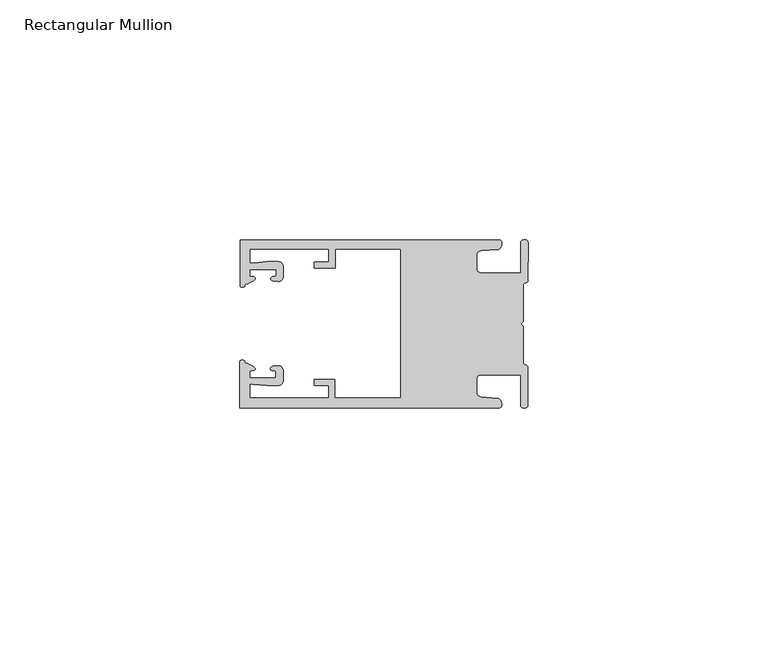
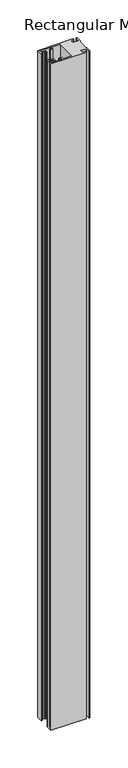
"""IFC4 building model written with IfcOpenShell, lengths in millimetres: member geometry, Rectangular Mullion."""

from ifc_helpers import new_model, si_unit, frame, origin, place, context, project, spatial, circle_curve, source, transform, mapped, element, save
from ifc_brep_helpers import plane_surface, cylinder_surface, extruded_surface, spline_curve, advanced_brep


def rectangular_mullion_9c591f3f(model_context):
    return source(origin(), model_context, "Body", "AdvancedBrep", [
        advanced_brep(
        [(-60.0749377, 17.5111528, 0.0), (-60.0749377, 8.0140787, 0.0), (-59.3252567, 7.7187455, 0.0), (-58.4967974, 8.36785, 0.0), (-58.0726619, 10.1173923, 0.0), (-58.0713101, 11.3673916, 0.0), (-52.5713133, 11.3614437, 0.0), (-52.5726651, 10.1114444, 0.0), (-53.1427626, 8.8955539, 0.0), (-52.0740172, 8.8609044, 0.0), (-51.0729364, 9.8598224, 0.0), (-51.0706653, 11.9598211, 0.0), (-52.0700692, 12.9609024, 0.0), (-54.3905105, 12.9622843, 0.0), (-57.1599646, 12.7230061, 0.0), (-58.0696339, 12.9173907, 0.0), (-58.066768, 15.5673891, 0.0), (-41.5667584, 15.5673891, 0.0), (-41.5695894, 12.9495468, 0.0), (-44.5695877, 12.9527912, 0.0), (-44.5709936, 11.6527919, 0.0), (-40.2709961, 11.6481417, 0.0), (-40.2667576, 15.5673891, 0.0), (-26.6002952, 15.5673891, 0.0), (-26.6002952, -15.4518424, 0.0), (-40.3003032, -15.4518424, 0.0), (-40.2960856, -11.5518447, 0.0), (-44.5960831, -11.5471945, 0.0), (-44.597489, -12.8471938, 0.0), (-41.5974907, -12.8504381, 0.0), (-41.6003025, -15.4504366, 0.0), (-58.1002928, -15.4325927, 0.0), (-58.097427, -12.7825943, 0.0), (-57.1873395, -12.5901776, 0.0), (-54.4184094, -12.8354453, 0.0), (-52.0979705, -12.8390822, 0.0), (-51.0964037, -11.8401649, 0.0), (-51.0941327, -9.7401662, 0.0), (-52.0930507, -8.7390853, 0.0), (-53.1618685, -8.7714231, 0.0), (-52.5944022, -9.9885439, 0.0), (-52.595754, -11.2385431, 0.0), (-58.0957508, -11.2325952, 0.0), (-58.094399, -9.9825959, 0.0), (-58.5147494, -8.2321403, 0.0), (-59.3418028, -7.5812455, 0.0), (-60.0921208, -7.8749565, 0.0), (-60.0921208, -17.4888267, 0.0), (-6.1024861, -17.4888267, 0.0), (-6.5218639, -15.488372, 0.0), (-9.8784944, -15.2205466, 0.0), (-10.7989567, -14.2226333, 0.0), (-10.7961029, -11.5837474, 0.0), (-9.8734844, -10.5878272, 0.0), (-1.5950266, -10.5934991, 0.0), (-1.601948, -16.9936935, 0.0), (-0.1017194, -16.7830581, 0.0), (-0.0933208, -9.0170082, 0.0), (-1.0923837, -8.1499018, 0.0), (-1.0842165, -0.5977972, 0.0), (-1.0829111, 0.6093089, 0.0), (-1.0747439, 8.1614135, 0.0), (-0.0738079, 9.026357, 0.0), (-0.0654093, 16.7924069, 0.0), (-1.5651789, 17.0062866, 0.0), (-1.5651789, 10.6183257, 0.0), (-9.8505511, 10.6183257, 0.0), (-10.7710133, 11.6162391, 0.0), (-10.7681595, 14.255125, 0.0), (-9.845541, 15.2510452, 0.0), (-6.4883391, 15.5116099, 0.0), (-6.0646356, 17.5111528, 0.0), (-60.0749377, 17.5111528, -1079.5), (-6.0646356, 17.5111528, -1079.5), (-6.4883391, 15.5116099, -1079.5), (-9.845541, 15.2510452, -1079.5), (-10.7681595, 14.255125, -1079.5), (-10.7710133, 11.6162391, -1079.5), (-9.8505511, 10.6183257, -1079.5), (-1.5651789, 10.6183257, -1079.5), (-1.5651789, 17.0062866, -1079.5), (-0.0654093, 16.7924069, -1079.5), (-0.0738079, 9.026357, -1079.5), (-1.0747439, 8.1614135, -1079.5), (-1.0829111, 0.6093089, -1079.5), (-1.0842165, -0.5977972, -1079.5), (-1.0923837, -8.1499018, -1079.5), (-0.0933208, -9.0170082, -1079.5), (-0.1017194, -16.7830581, -1079.5), (-1.601948, -16.9936935, -1079.5), (-1.5950266, -10.5934991, -1079.5), (-9.8734844, -10.5878272, -1079.5), (-10.7961029, -11.5837474, -1079.5), (-10.7989567, -14.2226333, -1079.5), (-9.8784944, -15.2205466, -1079.5), (-6.5218639, -15.488372, -1079.5), (-6.1024861, -17.4888267, -1079.5), (-60.0921208, -17.4888267, -1079.5), (-60.0921208, -7.8749565, -1079.5), (-59.3418028, -7.5812455, -1079.5), (-58.5147494, -8.2321403, -1079.5), (-58.094399, -9.9825959, -1079.5), (-58.0957508, -11.2325952, -1079.5), (-52.595754, -11.2385431, -1079.5), (-52.5944022, -9.9885439, -1079.5), (-53.1618685, -8.7714231, -1079.5), (-52.0930507, -8.7390853, -1079.5), (-51.0941327, -9.7401662, -1079.5), (-51.0964037, -11.8401649, -1079.5), (-52.0979705, -12.8390823, -1079.5), (-54.4184094, -12.8354453, -1079.5), (-57.1873395, -12.5901776, -1079.5), (-58.097427, -12.7825943, -1079.5), (-58.1002928, -15.4325927, -1079.5), (-41.6003025, -15.4504366, -1079.5), (-41.5974907, -12.8504381, -1079.5), (-44.597489, -12.8471938, -1079.5), (-44.5960831, -11.5471945, -1079.5), (-40.2960856, -11.5518447, -1079.5), (-40.3003032, -15.4518424, -1079.5), (-26.6002952, -15.4518424, -1079.5), (-26.6002952, 15.5673891, -1079.5), (-40.2667576, 15.5673891, -1079.5), (-40.2709961, 11.6481417, -1079.5), (-44.5709936, 11.6527919, -1079.5), (-44.5695877, 12.9527912, -1079.5), (-41.5695894, 12.9495468, -1079.5), (-41.5667584, 15.5673891, -1079.5), (-58.066768, 15.5673891, -1079.5), (-58.0696339, 12.9173907, -1079.5), (-57.1599646, 12.7230061, -1079.5), (-54.3905105, 12.9622843, -1079.5), (-52.0700692, 12.9609023, -1079.5), (-51.0706653, 11.9598211, -1079.5), (-51.0729364, 9.8598224, -1079.5), (-52.0740172, 8.8609044, -1079.5), (-53.1427626, 8.8955539, -1079.5), (-52.5726651, 10.1114444, -1079.5), (-52.5713133, 11.3614437, -1079.5), (-58.0713101, 11.3673916, -1079.5), (-58.0726619, 10.1173923, -1079.5), (-58.4967974, 8.36785, -1079.5), (-59.3252567, 7.7187455, -1079.5), (-60.0749377, 8.0140787, -1079.5)],
        [
            (0, 1),
            (1, 2, spline_curve(3, [(-60.0749377, 8.0140787, 0.0), (-60.075233123, 7.740904774, 0.0), (-59.825339491, 7.642460332, 0.0), (-59.3252567, 7.7187455, 0.0)], [4, 4], [0.0, 0.0019169337574178654])),
            (2, 3, spline_curve(3, [(-59.3252567, 7.7187455, 0.0), (-59.094460914, 7.75918372, 0.0), (-59.054835463, 7.902257199, 0.0), (-59.05559987, 8.233305614, 0.0), (-59.138729113, 8.4134359, 0.0), (-58.4967974, 8.36785, 0.0)], [4, 2, 4], [0.0, 0.0010199524164107188, 0.0024874514725970356])),
            (3, 4, spline_curve(3, [(-58.4967974, 8.36785, 0.0), (-57.022393378, 9.053435667, 0.0), (-56.827266887, 9.364828726, 0.0), (-56.982213078, 9.742623404, 0.0), (-57.177375211, 9.855581791, 0.0), (-57.697928101, 9.887955071, 0.0), (-57.997449153, 9.835475348, 0.0), (-58.0726619, 10.1173923, 0.0)], [4, 2, 2, 4], [0.0, 0.003269869179570428, 0.005490050486237203, 0.0073545767114364426])),
            (4, 5),
            (5, 6),
            (6, 7),
            (7, 8, spline_curve(3, [(-52.5726651, 10.1114444, 0.0), (-52.667195519, 9.760172042, 0.0), (-52.937094388, 9.861877724, 0.0), (-53.356237032, 9.895631753, 0.0), (-53.491940439, 9.811038713, 0.0), (-53.761900775, 9.511438033, 0.0), (-53.892893546, 9.278787104, 0.0), (-53.1427626, 8.8955539, 0.0)], [4, 2, 2, 4], [0.0, 0.001593963049934732, 0.0033360256320283306, 0.005339140673503943])),
            (8, 9),
            (9, 10, circle_curve(frame((-52.0729358, 9.8609038, 0.0), z_axis=(0.0, 0.0, 1.0), x_axis=(-0.0010814451158600304, -0.9999994152380598, 0.0)), 1.0)),
            (10, 11),
            (11, 12, circle_curve(frame((-52.0706647, 11.9609026, 0.0), z_axis=(0.0, 0.0, 1.0), x_axis=(-0.0010814451158600304, -0.9999994152380598, 0.0)), 1.0)),
            (12, 13),
            (13, 14),
            (14, 15, spline_curve(3, [(-57.1599646, 12.7230061, 0.0), (-57.631533854, 12.682262968, 0.0), (-58.018602985, 12.477800124, 0.0), (-58.0696339, 12.9173907, 0.0)], [4, 4], [0.0, 0.0014803385355886016])),
            (15, 16),
            (16, 17),
            (17, 18),
            (18, 19),
            (19, 20),
            (20, 21),
            (21, 22),
            (22, 23),
            (23, 24),
            (24, 25),
            (25, 26),
            (26, 27),
            (27, 28),
            (28, 29),
            (29, 30),
            (30, 31),
            (31, 32),
            (32, 33, spline_curve(3, [(-58.097427, -12.7825943, 0.0), (-58.045445419, -12.343115126, 0.0), (-57.658819528, -12.548414611, 0.0), (-57.1873395, -12.5901776, 0.0)], [4, 4], [0.0, 0.0014803385355886016])),
            (33, 34),
            (34, 35),
            (35, 36, circle_curve(frame((-52.0964031, -11.8390835, 0.0), z_axis=(0.0, 0.0, 1.0), x_axis=(0.0010814451158600304, 0.9999994152380598, 0.0)), 1.0)),
            (36, 37),
            (37, 38, circle_curve(frame((-52.0941321, -9.7390847, 0.0), z_axis=(0.0, 0.0, 1.0), x_axis=(0.0010814451158600304, 0.9999994152380598, 0.0)), 1.0)),
            (38, 39),
            (39, 40, spline_curve(3, [(-53.1618685, -8.7714231, 0.0), (-53.912826582, -9.153032958, 0.0), (-53.782337352, -9.385966711, 0.0), (-53.51302565, -9.686150585, 0.0), (-53.377505444, -9.771037009, 0.0), (-52.958290774, -9.738189618, 0.0), (-52.688172635, -9.637067904, 0.0), (-52.5944022, -9.9885439, 0.0)], [4, 2, 2, 4], [0.0, 0.002003115041475612, 0.0037451776235692107, 0.005339140673503943])),
            (40, 41),
            (41, 42),
            (42, 43),
            (43, 44, spline_curve(3, [(-58.094399, -9.9825959, 0.0), (-58.018576674, -9.700842284, 0.0), (-57.719169706, -9.753969703, 0.0), (-57.198548014, -9.722722397, 0.0), (-57.003142178, -9.61018632, 0.0), (-56.847379222, -9.232727657, 0.0), (-57.041831673, -8.920913336, 0.0), (-58.5147494, -8.2321403, 0.0)], [4, 2, 2, 4], [0.0, 0.0018645262251992395, 0.004084707531866015, 0.0073545767114364426])),
            (44, 45, spline_curve(3, [(-58.5147494, -8.2321403, 0.0), (-59.156778208, -8.276337666, 0.0), (-59.073259494, -8.096387681, 0.0), (-59.071779067, -7.765341694, 0.0), (-59.111095017, -7.622182811, 0.0), (-59.3418028, -7.5812455, 0.0)], [4, 2, 4], [0.0, 0.0014674990561863168, 0.0024874514725970356])),
            (45, 46, spline_curve(3, [(-59.3418028, -7.5812455, 0.0), (-59.841719425, -7.503878887, 0.0), (-60.091825377, -7.601782574, 0.0), (-60.0921208, -7.8749565, 0.0)], [4, 4], [0.0, 0.0019169337574178654])),
            (46, 47),
            (47, 48),
            (48, 49, spline_curve(3, [(-6.1024861, -17.4888267, 0.0), (-5.074532184, -17.418062188, 0.0), (-5.631140689, -15.411414367, 0.0), (-6.5218639, -15.488372, 0.0)], [4, 4], [0.0, 0.0043819361547461745])),
            (49, 50),
            (50, 51, spline_curve(3, [(-9.8784944, -15.2205466, 0.0), (-10.440691543, -15.150698463, 0.0), (-10.74751234, -14.818060727, 0.0), (-10.7989567, -14.2226333, 0.0)], [4, 4], [0.0, 0.0028645797420738927])),
            (51, 52),
            (52, 53, spline_curve(3, [(-10.7961029, -11.5837474, 0.0), (-10.743370817, -10.988432634, 0.0), (-10.435831301, -10.656459204, 0.0), (-9.8734844, -10.5878272, 0.0)], [4, 4], [0.0, 0.0028645797420738927])),
            (53, 54),
            (54, 55),
            (55, 56, spline_curve(3, [(-1.601948, -16.9936935, 0.0), (-1.655676874, -17.600261454, 0.0), (-0.043737403, -17.912795581, 0.0), (-0.1017194, -16.7830581, 0.0)], [4, 4], [0.0, 0.0036987374396357936])),
            (56, 57),
            (57, 58, spline_curve(3, [(-0.0933208, -9.0170082, 0.0), (-0.018818183, -8.695886697, 0.0), (-1.193434327, -8.459763043, 0.0), (-1.0923837, -8.1499018, 0.0)], [4, 4], [0.0, 0.002027216749630121])),
            (58, 59),
            (59, 60, spline_curve(3, [(-1.0842165, -0.5977972, 0.0), (-1.013223198, -0.445980437, 0.0), (-1.487945123, -0.206736825, 0.0), (-1.487409651, 0.231097965, 0.0), (-0.999110985, 0.429090391, 0.0), (-1.0829111, 0.6093089, 0.0)], [4, 2, 4], [0.0, 0.00249866671847065, 0.005031402919736269])),
            (60, 61),
            (61, 62, spline_curve(3, [(-1.0747439, 8.1614135, 0.0), (-1.175124095, 8.47149258, 0.0), (-7e-09, 8.705075107, 0.0), (-0.0738079, 9.026357, 0.0)], [4, 4], [0.0, 0.002027216749630121])),
            (62, 63),
            (63, 64, spline_curve(3, [(-0.0654093, 16.7924069, 0.0), (-0.004983942, 17.92201633, 0.0), (-1.617595709, 17.612969344, 0.0), (-1.5651789, 17.0062866, 0.0)], [4, 4], [0.0, 0.0036987374396357936])),
            (64, 65),
            (65, 66),
            (66, 67, spline_curve(3, [(-9.8505511, 10.6183257, 0.0), (-10.412748243, 10.688173837, 0.0), (-10.71956894, 11.020811673, 0.0), (-10.7710133, 11.6162391, 0.0)], [4, 4], [0.0, 0.0028645797420738927])),
            (67, 68),
            (68, 69, spline_curve(3, [(-10.7681595, 14.255125, 0.0), (-10.715427417, 14.850439766, 0.0), (-10.407887901, 15.182413196, 0.0), (-9.845541, 15.2510452, 0.0)], [4, 4], [0.0, 0.0028645797420738927])),
            (69, 70),
            (70, 71, spline_curve(3, [(-6.4883391, 15.5116099, 0.0), (-5.597784423, 15.432725911, 0.0), (-5.036837144, 17.438165103, 0.0), (-6.0646356, 17.5111528, 0.0)], [4, 4], [0.0, 0.0043819361547461745])),
            (71, 0),
            (72, 73),
            (73, 74, spline_curve(3, [(-6.0646356, 17.5111528, -1079.5), (-5.036837144, 17.438165103, -1079.5), (-5.597784423, 15.432725911, -1079.5), (-6.4883391, 15.5116099, -1079.5)], [4, 4], [0.0, 0.0043819361547461745])),
            (74, 75),
            (75, 76, spline_curve(3, [(-9.845541, 15.2510452, -1079.5), (-10.407887901, 15.182413196, -1079.5), (-10.715427417, 14.850439766, -1079.5), (-10.7681595, 14.255125, -1079.5)], [4, 4], [0.0, 0.0028645797420738927])),
            (76, 77),
            (77, 78, spline_curve(3, [(-10.7710133, 11.6162391, -1079.5), (-10.71956894, 11.020811673, -1079.5), (-10.412748243, 10.688173837, -1079.5), (-9.8505511, 10.6183257, -1079.5)], [4, 4], [0.0, 0.0028645797420738927])),
            (78, 79),
            (79, 80),
            (80, 81, spline_curve(3, [(-1.5651789, 17.0062866, -1079.5), (-1.617595709, 17.612969344, -1079.5), (-0.004983942, 17.92201633, -1079.5), (-0.0654093, 16.7924069, -1079.5)], [4, 4], [0.0, 0.0036987374396357936])),
            (81, 82),
            (82, 83, spline_curve(3, [(-0.0738079, 9.026357, -1079.5), (-7e-09, 8.705075107, -1079.5), (-1.175124095, 8.47149258, -1079.5), (-1.0747439, 8.1614135, -1079.5)], [4, 4], [0.0, 0.002027216749630121])),
            (83, 84),
            (84, 85, spline_curve(3, [(-1.0829111, 0.6093089, -1079.5), (-0.999110985, 0.429090391, -1079.5), (-1.487409651, 0.231097965, -1079.5), (-1.487945123, -0.206736825, -1079.5), (-1.013223198, -0.445980437, -1079.5), (-1.0842165, -0.5977972, -1079.5)], [4, 2, 4], [0.0, 0.002532736201265619, 0.005031402919736269])),
            (85, 86),
            (86, 87, spline_curve(3, [(-1.0923837, -8.1499018, -1079.5), (-1.193434327, -8.459763043, -1079.5), (-0.018818183, -8.695886697, -1079.5), (-0.0933208, -9.0170082, -1079.5)], [4, 4], [0.0, 0.002027216749630121])),
            (87, 88),
            (88, 89, spline_curve(3, [(-0.1017194, -16.7830581, -1079.5), (-0.043737403, -17.912795581, -1079.5), (-1.655676874, -17.600261454, -1079.5), (-1.601948, -16.9936935, -1079.5)], [4, 4], [0.0, 0.0036987374396357936])),
            (89, 90),
            (90, 91),
            (91, 92, spline_curve(3, [(-9.8734844, -10.5878272, -1079.5), (-10.435831301, -10.656459204, -1079.5), (-10.743370817, -10.988432634, -1079.5), (-10.7961029, -11.5837474, -1079.5)], [4, 4], [0.0, 0.0028645797420738927])),
            (92, 93),
            (93, 94, spline_curve(3, [(-10.7989567, -14.2226333, -1079.5), (-10.74751234, -14.818060727, -1079.5), (-10.440691543, -15.150698463, -1079.5), (-9.8784944, -15.2205466, -1079.5)], [4, 4], [0.0, 0.0028645797420738927])),
            (94, 95),
            (95, 96, spline_curve(3, [(-6.5218639, -15.488372, -1079.5), (-5.631140689, -15.411414367, -1079.5), (-5.074532184, -17.418062188, -1079.5), (-6.1024861, -17.4888267, -1079.5)], [4, 4], [0.0, 0.0043819361547461745])),
            (96, 97),
            (97, 98),
            (98, 99, spline_curve(3, [(-60.0921208, -7.8749565, -1079.5), (-60.091825377, -7.601782574, -1079.5), (-59.841719425, -7.503878887, -1079.5), (-59.3418028, -7.5812455, -1079.5)], [4, 4], [0.0, 0.0019169337574178654])),
            (99, 100, spline_curve(3, [(-59.3418028, -7.5812455, -1079.5), (-59.111095017, -7.622182811, -1079.5), (-59.071779067, -7.765341694, -1079.5), (-59.073259494, -8.096387681, -1079.5), (-59.156778208, -8.276337666, -1079.5), (-58.5147494, -8.2321403, -1079.5)], [4, 2, 4], [0.0, 0.0010199524164107188, 0.0024874514725970356])),
            (100, 101, spline_curve(3, [(-58.5147494, -8.2321403, -1079.5), (-57.041831673, -8.920913336, -1079.5), (-56.847379222, -9.232727657, -1079.5), (-57.003142178, -9.61018632, -1079.5), (-57.198548014, -9.722722397, -1079.5), (-57.719169706, -9.753969703, -1079.5), (-58.018576674, -9.700842284, -1079.5), (-58.094399, -9.9825959, -1079.5)], [4, 2, 2, 4], [0.0, 0.003269869179570428, 0.005490050486237203, 0.0073545767114364426])),
            (101, 102),
            (102, 103),
            (103, 104),
            (104, 105, spline_curve(3, [(-52.5944022, -9.9885439, -1079.5), (-52.688172635, -9.637067904, -1079.5), (-52.958290774, -9.738189618, -1079.5), (-53.377505444, -9.771037009, -1079.5), (-53.51302565, -9.686150585, -1079.5), (-53.782337352, -9.385966711, -1079.5), (-53.912826582, -9.153032958, -1079.5), (-53.1618685, -8.7714231, -1079.5)], [4, 2, 2, 4], [0.0, 0.001593963049934732, 0.0033360256320283306, 0.005339140673503943])),
            (105, 106),
            (106, 107, circle_curve(frame((-52.0941321, -9.7390847, -1079.5), z_axis=(0.0, 0.0, -1.0), x_axis=(0.0010814451158600304, 0.9999994152380598, 0.0)), 1.0)),
            (107, 108),
            (108, 109, circle_curve(frame((-52.0964031, -11.8390835, -1079.5), z_axis=(0.0, 0.0, -1.0), x_axis=(0.0010814451158600304, 0.9999994152380598, 0.0)), 1.0)),
            (109, 110),
            (110, 111),
            (111, 112, spline_curve(3, [(-57.1873395, -12.5901776, -1079.5), (-57.658819528, -12.548414611, -1079.5), (-58.045445419, -12.343115126, -1079.5), (-58.097427, -12.7825943, -1079.5)], [4, 4], [0.0, 0.0014803385355886016])),
            (112, 113),
            (113, 114),
            (114, 115),
            (115, 116),
            (116, 117),
            (117, 118),
            (118, 119),
            (119, 120),
            (120, 121),
            (121, 122),
            (122, 123),
            (123, 124),
            (124, 125),
            (125, 126),
            (126, 127),
            (127, 128),
            (128, 129),
            (129, 130, spline_curve(3, [(-58.0696339, 12.9173907, -1079.5), (-58.018602985, 12.477800124, -1079.5), (-57.631533854, 12.682262968, -1079.5), (-57.1599646, 12.7230061, -1079.5)], [4, 4], [0.0, 0.0014803385355886016])),
            (130, 131),
            (131, 132),
            (132, 133, circle_curve(frame((-52.0706647, 11.9609026, -1079.5), z_axis=(0.0, 0.0, -1.0), x_axis=(-0.0010814451158600304, -0.9999994152380598, 0.0)), 1.0)),
            (133, 134),
            (134, 135, circle_curve(frame((-52.0729358, 9.8609038, -1079.5), z_axis=(0.0, 0.0, -1.0), x_axis=(-0.0010814451158600304, -0.9999994152380598, 0.0)), 1.0)),
            (135, 136),
            (136, 137, spline_curve(3, [(-53.1427626, 8.8955539, -1079.5), (-53.892893546, 9.278787104, -1079.5), (-53.761900775, 9.511438033, -1079.5), (-53.491940439, 9.811038713, -1079.5), (-53.356237032, 9.895631753, -1079.5), (-52.937094388, 9.861877724, -1079.5), (-52.667195519, 9.760172042, -1079.5), (-52.5726651, 10.1114444, -1079.5)], [4, 2, 2, 4], [0.0, 0.002003115041475612, 0.0037451776235692107, 0.005339140673503943])),
            (137, 138),
            (138, 139),
            (139, 140),
            (140, 141, spline_curve(3, [(-58.0726619, 10.1173923, -1079.5), (-57.997449153, 9.835475348, -1079.5), (-57.697928101, 9.887955071, -1079.5), (-57.177375211, 9.855581791, -1079.5), (-56.982213078, 9.742623404, -1079.5), (-56.827266887, 9.364828726, -1079.5), (-57.022393378, 9.053435667, -1079.5), (-58.4967974, 8.36785, -1079.5)], [4, 2, 2, 4], [0.0, 0.0018645262251992395, 0.004084707531866015, 0.0073545767114364426])),
            (141, 142, spline_curve(3, [(-58.4967974, 8.36785, -1079.5), (-59.138729113, 8.4134359, -1079.5), (-59.05559987, 8.233305614, -1079.5), (-59.054835463, 7.902257199, -1079.5), (-59.094460914, 7.75918372, -1079.5), (-59.3252567, 7.7187455, -1079.5)], [4, 2, 4], [0.0, 0.0014674990561863168, 0.0024874514725970356])),
            (142, 143, spline_curve(3, [(-59.3252567, 7.7187455, -1079.5), (-59.825339491, 7.642460332, -1079.5), (-60.075233123, 7.740904774, -1079.5), (-60.0749377, 8.0140787, -1079.5)], [4, 4], [0.0, 0.0019169337574178654])),
            (143, 72),
            (0, 72),
            (143, 1),
            (142, 2),
            (141, 3),
            (140, 4),
            (139, 5),
            (138, 6),
            (137, 7),
            (136, 8),
            (135, 9),
            (134, 10),
            (133, 11),
            (132, 12),
            (131, 13),
            (130, 14),
            (129, 15),
            (128, 16),
            (127, 17),
            (126, 18),
            (125, 19),
            (124, 20),
            (123, 21),
            (122, 22),
            (121, 23),
            (120, 24),
            (119, 25),
            (118, 26),
            (117, 27),
            (116, 28),
            (115, 29),
            (114, 30),
            (113, 31),
            (112, 32),
            (111, 33),
            (110, 34),
            (109, 35),
            (108, 36),
            (107, 37),
            (106, 38),
            (105, 39),
            (104, 40),
            (103, 41),
            (102, 42),
            (101, 43),
            (100, 44),
            (99, 45),
            (98, 46),
            (97, 47),
            (96, 48),
            (95, 49),
            (94, 50),
            (93, 51),
            (92, 52),
            (91, 53),
            (90, 54),
            (89, 55),
            (88, 56),
            (87, 57),
            (86, 58),
            (85, 59),
            (84, 60),
            (83, 61),
            (82, 62),
            (81, 63),
            (80, 64),
            (79, 65),
            (78, 66),
            (77, 67),
            (76, 68),
            (75, 69),
            (74, 70),
            (73, 71),
        ],
        [
            plane_surface(frame((0.0, -62.5853181, 0.0), z_axis=(0.0, 0.0, 1.0), x_axis=(-1.0, 0.0, 0.0))),
            plane_surface(frame((0.0, -62.5853181, -1079.5), z_axis=(0.0, 0.0, -1.0), x_axis=(-1.0, 0.0, 0.0))),
            plane_surface(frame((-60.0749377, 17.5111528, 0.0), z_axis=(-1.0, 0.0, 0.0), x_axis=(0.0, 0.0, -1.0))),
            extruded_surface(spline_curve(3, [(-60.0749377, 8.0140787, -1079.5), (-60.075233123, 7.740904774, -1079.5), (-59.825339491, 7.642460332, -1079.5), (-59.3252567, 7.7187455, -1079.5)], [4, 4], [0.0, 0.0019169337574178654]), (0.0, 0.0, 1079.5), 1079.5),
            extruded_surface(spline_curve(3, [(-59.3252567, 7.7187455, -1079.5), (-59.094460914, 7.75918372, -1079.5), (-59.054835463, 7.902257199, -1079.5), (-59.05559987, 8.233305614, -1079.5), (-59.138729113, 8.4134359, -1079.5), (-58.4967974, 8.36785, -1079.5)], [4, 2, 4], [0.0, 0.0010199524164107188, 0.0024874514725970356]), (0.0, 0.0, 1079.5), 1079.5),
            extruded_surface(spline_curve(3, [(-58.4967974, 8.36785, -1079.5), (-57.022393378, 9.053435667, -1079.5), (-56.827266887, 9.364828726, -1079.5), (-56.982213078, 9.742623404, -1079.5), (-57.177375211, 9.855581791, -1079.5), (-57.697928101, 9.887955071, -1079.5), (-57.997449153, 9.835475348, -1079.5), (-58.0726619, 10.1173923, -1079.5)], [4, 2, 2, 4], [0.0, 0.003269869179570428, 0.005490050486237203, 0.0073545767114364426]), (0.0, 0.0, 1079.5), 1079.5),
            plane_surface(frame((-58.0726619, 10.1173923, 0.0), z_axis=(0.9999994152380598, -0.0010814451158634145, 0.0), x_axis=(0.0, 0.0, -1.0))),
            plane_surface(frame((-58.0713101, 11.3673916, 0.0), z_axis=(-0.0010814451158616418, -0.9999994152380598, 0.0), x_axis=(0.0, 0.0, -1.0))),
            plane_surface(frame((-52.5713133, 11.3614437, 0.0), z_axis=(-0.9999994152380598, 0.0010814451158643293, 0.0), x_axis=(0.0, 0.0, -1.0))),
            extruded_surface(spline_curve(3, [(-52.5726651, 10.1114444, -1079.5), (-52.667195519, 9.760172042, -1079.5), (-52.937094388, 9.861877724, -1079.5), (-53.356237032, 9.895631753, -1079.5), (-53.491940439, 9.811038713, -1079.5), (-53.761900775, 9.511438033, -1079.5), (-53.892893546, 9.278787104, -1079.5), (-53.1427626, 8.8955539, -1079.5)], [4, 2, 2, 4], [0.0, 0.001593963049934732, 0.0033360256320283306, 0.005339140673503943]), (0.0, 0.0, 1079.5), 1079.5),
            plane_surface(frame((-53.1427626, 8.8955539, 0.0), z_axis=(-0.032403661401520414, -0.9994748634797054, 0.0), x_axis=(0.0, 0.0, -1.0))),
            cylinder_surface(frame((-52.0729358, 9.8609038, 0.0), z_axis=(0.0, 0.0, 1.0000000000000002), x_axis=(-0.0010814451158600304, -0.9999994152380598, 0.0)), 1.0),
            plane_surface(frame((-51.0729364, 9.8598224, 0.0), z_axis=(0.9999994152380598, -0.001081445115864059, 0.0), x_axis=(0.0, 0.0, -1.0))),
            cylinder_surface(frame((-52.0706647, 11.9609026, 0.0), z_axis=(0.0, 0.0, 1.0000000000000002), x_axis=(-0.0010814451158600304, -0.9999994152380598, 0.0)), 1.0),
            plane_surface(frame((-52.0700692, 12.9609023, 0.0), z_axis=(0.0005955716436318007, 0.999999822647193, 0.0), x_axis=(0.0, 0.0, -1.0))),
            plane_surface(frame((-54.3905105, 12.9622843, 0.0), z_axis=(-0.08607836189159865, 0.9962883697073147, 0.0), x_axis=(0.0, 0.0, -1.0))),
            extruded_surface(spline_curve(3, [(-57.1599646, 12.7230061, -1079.5), (-57.631533854, 12.682262968, -1079.5), (-58.018602985, 12.477800124, -1079.5), (-58.0696339, 12.9173907, -1079.5)], [4, 4], [0.0, 0.0014803385355886016]), (0.0, 0.0, 1079.5), 1079.5),
            plane_surface(frame((-58.0696339, 12.9173907, 0.0), z_axis=(0.9999994152380598, -0.0010814451158629996, 0.0), x_axis=(0.0, 0.0, -1.0))),
            plane_surface(frame((-58.066768, 15.5673891, 0.0), z_axis=(0.0, -1.0, 0.0), x_axis=(0.0, 0.0, -1.0))),
            plane_surface(frame((-41.5667584, 15.5673891, 0.0), z_axis=(-0.9999994152380598, 0.0010814451158636304, 0.0), x_axis=(0.0, 0.0, -1.0))),
            plane_surface(frame((-41.5695894, 12.9495468, 0.0), z_axis=(0.0010814451158615687, 0.9999994152380598, 0.0), x_axis=(0.0, 0.0, -1.0))),
            plane_surface(frame((-44.5695877, 12.9527912, 0.0), z_axis=(-0.9999994152380598, 0.0010814451158626742, 0.0), x_axis=(0.0, 0.0, -1.0))),
            plane_surface(frame((-44.5709936, 11.6527919, 0.0), z_axis=(-0.001081445115861604, -0.9999994152380598, 0.0), x_axis=(0.0, 0.0, -1.0))),
            plane_surface(frame((-40.2709961, 11.6481417, 0.0), z_axis=(0.9999994152380598, -0.001081445115863507, 0.0), x_axis=(0.0, 0.0, -1.0))),
            plane_surface(frame((-40.2667576, 15.5673891, 0.0), z_axis=(0.0, -1.0, 0.0), x_axis=(0.0, 0.0, -1.0))),
            plane_surface(frame((-26.6002952, 15.5673891, 0.0), z_axis=(-1.0, 0.0, 0.0), x_axis=(0.0, 0.0, -1.0))),
            plane_surface(frame((-26.6002952, -15.4518424, 0.0), z_axis=(0.0, 1.0, 0.0), x_axis=(0.0, 0.0, -1.0))),
            plane_surface(frame((-40.3003032, -15.4518424, 0.0), z_axis=(0.9999994152380598, -0.0010814451158565538, 0.0), x_axis=(0.0, 0.0, -1.0))),
            plane_surface(frame((-40.2960856, -11.5518447, 0.0), z_axis=(0.0010814451158584568, 0.9999994152380598, 0.0), x_axis=(0.0, 0.0, -1.0))),
            plane_surface(frame((-44.5960831, -11.5471945, 0.0), z_axis=(-0.9999994152380598, 0.0010814451158573867, 0.0), x_axis=(0.0, 0.0, -1.0))),
            plane_surface(frame((-44.597489, -12.8471938, 0.0), z_axis=(-0.0010814451158584922, -0.9999994152380598, 0.0), x_axis=(0.0, 0.0, -1.0))),
            plane_surface(frame((-41.5974907, -12.8504381, 0.0), z_axis=(-0.9999994152380598, 0.0010814451158564305, 0.0), x_axis=(0.0, 0.0, -1.0))),
            plane_surface(frame((-41.6003025, -15.4504366, 0.0), z_axis=(0.0010814451158583872, 0.9999994152380598, 0.0), x_axis=(0.0, 0.0, -1.0))),
            plane_surface(frame((-58.1002928, -15.4325927, 0.0), z_axis=(0.9999994152380598, -0.0010814451158570612, 0.0), x_axis=(0.0, 0.0, -1.0))),
            extruded_surface(spline_curve(3, [(-58.097427, -12.7825943, -1079.5), (-58.045445419, -12.343115126, -1079.5), (-57.658819528, -12.548414611, -1079.5), (-57.1873395, -12.5901776, -1079.5)], [4, 4], [0.0, 0.0014803385355886016]), (0.0, 0.0, 1079.5), 1079.5),
            plane_surface(frame((-57.1873395, -12.5901776, 0.0), z_axis=(-0.0882330216729926, -0.9960998614026876, 0.0), x_axis=(0.0, 0.0, -1.0))),
            plane_surface(frame((-54.4184094, -12.8354453, 0.0), z_axis=(-0.0015673183327880543, -0.9999987717558677, 0.0), x_axis=(0.0, 0.0, -1.0))),
            cylinder_surface(frame((-52.0964031, -11.8390835, 0.0), z_axis=(0.0, 0.0, 1.0000000000000002), x_axis=(0.0010814451158600304, 0.9999994152380598, 0.0)), 1.0),
            plane_surface(frame((-51.0964037, -11.8401649, 0.0), z_axis=(0.9999994152380598, -0.001081445115856002, 0.0), x_axis=(0.0, 0.0, -1.0))),
            cylinder_surface(frame((-52.0941321, -9.7390847, 0.0), z_axis=(0.0, 0.0, 1.0000000000000002), x_axis=(0.0010814451158600304, 0.9999994152380598, 0.0)), 1.0),
            plane_surface(frame((-52.0930507, -8.7390853, 0.0), z_axis=(-0.030241832452872642, 0.9995426111826812, 0.0), x_axis=(0.0, 0.0, -1.0))),
            extruded_surface(spline_curve(3, [(-53.1618685, -8.7714231, -1079.5), (-53.912826582, -9.153032958, -1079.5), (-53.782337352, -9.385966711, -1079.5), (-53.51302565, -9.686150585, -1079.5), (-53.377505444, -9.771037009, -1079.5), (-52.958290774, -9.738189618, -1079.5), (-52.688172635, -9.637067904, -1079.5), (-52.5944022, -9.9885439, -1079.5)], [4, 2, 2, 4], [0.0, 0.002003115041475612, 0.0037451776235692107, 0.005339140673503943]), (0.0, 0.0, 1079.5), 1079.5),
            plane_surface(frame((-52.5944022, -9.9885439, 0.0), z_axis=(-0.9999994152380598, 0.0010814451158557316, 0.0), x_axis=(0.0, 0.0, -1.0))),
            plane_surface(frame((-52.595754, -11.2385431, 0.0), z_axis=(0.001081445115858419, 0.9999994152380598, 0.0), x_axis=(0.0, 0.0, -1.0))),
            plane_surface(frame((-58.0957508, -11.2325952, 0.0), z_axis=(0.9999994152380598, -0.0010814451158566464, 0.0), x_axis=(0.0, 0.0, -1.0))),
            extruded_surface(spline_curve(3, [(-58.094399, -9.9825959, -1079.5), (-58.018576674, -9.700842284, -1079.5), (-57.719169706, -9.753969703, -1079.5), (-57.198548014, -9.722722397, -1079.5), (-57.003142178, -9.61018632, -1079.5), (-56.847379222, -9.232727657, -1079.5), (-57.041831673, -8.920913336, -1079.5), (-58.5147494, -8.2321403, -1079.5)], [4, 2, 2, 4], [0.0, 0.0018645262251992395, 0.004084707531866015, 0.0073545767114364426]), (0.0, 0.0, 1079.5), 1079.5),
            extruded_surface(spline_curve(3, [(-58.5147494, -8.2321403, -1079.5), (-59.156778208, -8.276337666, -1079.5), (-59.073259494, -8.096387681, -1079.5), (-59.071779067, -7.765341694, -1079.5), (-59.111095017, -7.622182811, -1079.5), (-59.3418028, -7.5812455, -1079.5)], [4, 2, 4], [0.0, 0.0014674990561863168, 0.0024874514725970356]), (0.0, 0.0, 1079.5), 1079.5),
            extruded_surface(spline_curve(3, [(-59.3418028, -7.5812455, -1079.5), (-59.841719425, -7.503878887, -1079.5), (-60.091825377, -7.601782574, -1079.5), (-60.0921208, -7.8749565, -1079.5)], [4, 4], [0.0, 0.0019169337574178654]), (0.0, 0.0, 1079.5), 1079.5),
            plane_surface(frame((-60.0921208, -7.8749565, 0.0), z_axis=(-1.0, 0.0, 0.0), x_axis=(0.0, 0.0, -1.0))),
            plane_surface(frame((-60.0921208, -17.4888267, 0.0), z_axis=(0.0, -1.0, 0.0), x_axis=(0.0, 0.0, -1.0))),
            extruded_surface(spline_curve(3, [(-6.1024861, -17.4888267, -1079.5), (-5.074532184, -17.418062188, -1079.5), (-5.631140689, -15.411414367, -1079.5), (-6.5218639, -15.488372, -1079.5)], [4, 4], [0.0, 0.0043819361547461745]), (0.0, 0.0, 1079.5), 1079.5),
            plane_surface(frame((-6.5218639, -15.488372, 0.0), z_axis=(0.07953716124904908, 0.9968319015663789, 0.0), x_axis=(0.0, 0.0, -1.0))),
            extruded_surface(spline_curve(3, [(-9.8784944, -15.2205466, -1079.5), (-10.440691543, -15.150698463, -1079.5), (-10.74751234, -14.818060727, -1079.5), (-10.7989567, -14.2226333, -1079.5)], [4, 4], [0.0, 0.0028645797420738927]), (0.0, 0.0, 1079.5), 1079.5),
            plane_surface(frame((-10.7989567, -14.2226333, 0.0), z_axis=(0.9999994152380598, -0.0010814451158568247, 0.0), x_axis=(0.0, 0.0, -1.0))),
            extruded_surface(spline_curve(3, [(-10.7961029, -11.5837474, -1079.5), (-10.743370817, -10.988432634, -1079.5), (-10.435831301, -10.656459204, -1079.5), (-9.8734844, -10.5878272, -1079.5)], [4, 4], [0.0, 0.0028645797420738927]), (0.0, 0.0, 1079.5), 1079.5),
            plane_surface(frame((-9.8734844, -10.5878272, 0.0), z_axis=(-0.0006851371995361226, -0.9999997652934814, 0.0), x_axis=(0.0, 0.0, -1.0))),
            plane_surface(frame((-1.5950266, -10.5934991, 0.0), z_axis=(-0.9999994152380598, 0.0010814451158568644, 0.0), x_axis=(0.0, 0.0, -1.0))),
            extruded_surface(spline_curve(3, [(-1.601948, -16.9936935, -1079.5), (-1.655676874, -17.600261454, -1079.5), (-0.043737403, -17.912795581, -1079.5), (-0.1017194, -16.7830581, -1079.5)], [4, 4], [0.0, 0.0036987374396357936]), (0.0, 0.0, 1079.5), 1079.5),
            plane_surface(frame((-0.1017194, -16.7830581, 0.0), z_axis=(0.9999994152380598, -0.001081445115856699, 0.0), x_axis=(0.0, 0.0, -1.0))),
            extruded_surface(spline_curve(3, [(-0.0933208, -9.0170082, -1079.5), (-0.018818183, -8.695886697, -1079.5), (-1.193434327, -8.459763043, -1079.5), (-1.0923837, -8.1499018, -1079.5)], [4, 4], [0.0, 0.002027216749630121]), (0.0, 0.0, 1079.5), 1079.5),
            plane_surface(frame((-1.0923837, -8.1499018, 0.0), z_axis=(0.9999994152380598, -0.0010814451158566698, 0.0), x_axis=(0.0, 0.0, -1.0))),
            extruded_surface(spline_curve(3, [(-1.0842165, -0.5977972, -1079.5), (-1.013223198, -0.445980437, -1079.5), (-1.487945123, -0.206736825, -1079.5), (-1.487409651, 0.231097965, -1079.5), (-0.999110985, 0.429090391, -1079.5), (-1.0829111, 0.6093089, -1079.5)], [4, 2, 4], [0.0, 0.00249866671847065, 0.005031402919736269]), (0.0, 0.0, 1079.5), 1079.5),
            plane_surface(frame((-1.0829111, 0.6093089, 0.0), z_axis=(0.9999994152380598, -0.001081445115863391, 0.0), x_axis=(0.0, 0.0, -1.0))),
            extruded_surface(spline_curve(3, [(-1.0747439, 8.1614135, -1079.5), (-1.175124095, 8.47149258, -1079.5), (-7e-09, 8.705075107, -1079.5), (-0.0738079, 9.026357, -1079.5)], [4, 4], [0.0, 0.002027216749630121]), (0.0, 0.0, 1079.5), 1079.5),
            plane_surface(frame((-0.0738079, 9.026357, 0.0), z_axis=(0.9999994152380598, -0.001081445115863362, 0.0), x_axis=(0.0, 0.0, -1.0))),
            extruded_surface(spline_curve(3, [(-0.0654093, 16.7924069, -1079.5), (-0.004983942, 17.92201633, -1079.5), (-1.617595709, 17.612969344, -1079.5), (-1.5651789, 17.0062866, -1079.5)], [4, 4], [0.0, 0.0036987374396357936]), (0.0, 0.0, 1079.5), 1079.5),
            plane_surface(frame((-1.5651789, 17.0062866, 0.0), z_axis=(-1.0, 0.0, 0.0), x_axis=(0.0, 0.0, -1.0))),
            plane_surface(frame((-1.5651789, 10.6183257, 0.0), z_axis=(0.0, 1.0, 0.0), x_axis=(0.0, 0.0, -1.0))),
            extruded_surface(spline_curve(3, [(-9.8505511, 10.6183257, -1079.5), (-10.412748243, 10.688173837, -1079.5), (-10.71956894, 11.020811673, -1079.5), (-10.7710133, 11.6162391, -1079.5)], [4, 4], [0.0, 0.0028645797420738927]), (0.0, 0.0, 1079.5), 1079.5),
            plane_surface(frame((-10.7710133, 11.6162391, 0.0), z_axis=(0.9999994152380598, -0.0010814451158632362, 0.0), x_axis=(0.0, 0.0, -1.0))),
            extruded_surface(spline_curve(3, [(-10.7681595, 14.255125, -1079.5), (-10.715427417, 14.850439766, -1079.5), (-10.407887901, 15.182413196, -1079.5), (-9.845541, 15.2510452, -1079.5)], [4, 4], [0.0, 0.0028645797420738927]), (0.0, 0.0, 1079.5), 1079.5),
            plane_surface(frame((-9.845541, 15.2510452, 0.0), z_axis=(0.07738093848608862, -0.9970015999781607, 0.0), x_axis=(0.0, 0.0, -1.0))),
            extruded_surface(spline_curve(3, [(-6.4883391, 15.5116099, -1079.5), (-5.597784423, 15.432725911, -1079.5), (-5.036837144, 17.438165103, -1079.5), (-6.0646356, 17.5111528, -1079.5)], [4, 4], [0.0, 0.0043819361547461745]), (0.0, 0.0, 1079.5), 1079.5),
            plane_surface(frame((-6.0646356, 17.5111528, 0.0), z_axis=(0.0, 1.0, 0.0), x_axis=(0.0, 0.0, -1.0))),
        ],
        [
            (0, [[1, 2, 3, 4, 5, 6, 7, 8, 9, 10, 11, 12, 13, 14, 15, 16, 17, 18, 19, 20, 21, 22, 23, 24, 25, 26, 27, 28, 29, 30, 31, 32, 33, 34, 35, 36, 37, 38, 39, 40, 41, 42, 43, 44, 45, 46, 47, 48, 49, 50, 51, 52, 53, 54, 55, 56, 57, 58, 59, 60, 61, 62, 63, 64, 65, 66, 67, 68, 69, 70, 71, 72]]),
            (1, [[73, 74, 75, 76, 77, 78, 79, 80, 81, 82, 83, 84, 85, 86, 87, 88, 89, 90, 91, 92, 93, 94, 95, 96, 97, 98, 99, 100, 101, 102, 103, 104, 105, 106, 107, 108, 109, 110, 111, 112, 113, 114, 115, 116, 117, 118, 119, 120, 121, 122, 123, 124, 125, 126, 127, 128, 129, 130, 131, 132, 133, 134, 135, 136, 137, 138, 139, 140, 141, 142, 143, 144]]),
            (2, [[-1, 145, -144, 146]]),
            (3, [[-2, -146, -143, 147]]),
            (4, [[-3, -147, -142, 148]]),
            (5, [[-4, -148, -141, 149]]),
            (6, [[-5, -149, -140, 150]]),
            (7, [[-6, -150, -139, 151]]),
            (8, [[-7, -151, -138, 152]]),
            (9, [[-8, -152, -137, 153]]),
            (10, [[-9, -153, -136, 154]]),
            (11, [[-10, -154, -135, 155]]),
            (12, [[-11, -155, -134, 156]]),
            (13, [[-12, -156, -133, 157]]),
            (14, [[-13, -157, -132, 158]]),
            (15, [[-14, -158, -131, 159]]),
            (16, [[-15, -159, -130, 160]]),
            (17, [[-16, -160, -129, 161]]),
            (18, [[-17, -161, -128, 162]]),
            (19, [[-18, -162, -127, 163]]),
            (20, [[-19, -163, -126, 164]]),
            (21, [[-20, -164, -125, 165]]),
            (22, [[-21, -165, -124, 166]]),
            (23, [[-22, -166, -123, 167]]),
            (24, [[-23, -167, -122, 168]]),
            (25, [[-24, -168, -121, 169]]),
            (26, [[-25, -169, -120, 170]]),
            (27, [[-26, -170, -119, 171]]),
            (28, [[-27, -171, -118, 172]]),
            (29, [[-28, -172, -117, 173]]),
            (30, [[-29, -173, -116, 174]]),
            (31, [[-30, -174, -115, 175]]),
            (32, [[-31, -175, -114, 176]]),
            (33, [[-32, -176, -113, 177]]),
            (34, [[-33, -177, -112, 178]]),
            (35, [[-34, -178, -111, 179]]),
            (36, [[-35, -179, -110, 180]]),
            (37, [[-36, -180, -109, 181]]),
            (38, [[-37, -181, -108, 182]]),
            (39, [[-38, -182, -107, 183]]),
            (40, [[-39, -183, -106, 184]]),
            (41, [[-40, -184, -105, 185]]),
            (42, [[-41, -185, -104, 186]]),
            (43, [[-42, -186, -103, 187]]),
            (44, [[-43, -187, -102, 188]]),
            (45, [[-44, -188, -101, 189]]),
            (46, [[-45, -189, -100, 190]]),
            (47, [[-46, -190, -99, 191]]),
            (48, [[-47, -191, -98, 192]]),
            (49, [[-48, -192, -97, 193]]),
            (50, [[-49, -193, -96, 194]]),
            (51, [[-50, -194, -95, 195]]),
            (52, [[-51, -195, -94, 196]]),
            (53, [[-52, -196, -93, 197]]),
            (54, [[-53, -197, -92, 198]]),
            (55, [[-54, -198, -91, 199]]),
            (56, [[-55, -199, -90, 200]]),
            (57, [[-56, -200, -89, 201]]),
            (58, [[-57, -201, -88, 202]]),
            (59, [[-58, -202, -87, 203]]),
            (60, [[-59, -203, -86, 204]]),
            (61, [[-60, -204, -85, 205]]),
            (62, [[-61, -205, -84, 206]]),
            (63, [[-62, -206, -83, 207]]),
            (64, [[-63, -207, -82, 208]]),
            (65, [[-64, -208, -81, 209]]),
            (66, [[-65, -209, -80, 210]]),
            (67, [[-66, -210, -79, 211]]),
            (68, [[-67, -211, -78, 212]]),
            (69, [[-68, -212, -77, 213]]),
            (70, [[-69, -213, -76, 214]]),
            (71, [[-70, -214, -75, 215]]),
            (72, [[-71, -215, -74, 216]]),
            (73, [[-72, -216, -73, -145]]),
        ],
    ),
    ])


if __name__ == "__main__":
    model = new_model("IFC4")
    model_context = context("Model", 3, world=origin())
    ifc_project = project(units=[si_unit("LENGTHUNIT", "METRE", prefix="MILLI")], contexts=[model_context])
    site = spatial("IfcSite", under=ifc_project)
    building = spatial("IfcBuilding", under=site)
    placement = place(None, origin())
    rectangular_mullion_shape = rectangular_mullion_9c591f3f(model_context)
    element("IfcMember", 1, ObjectType="Rectangular Mullion", at=placement, inside=building, context=model_context, shape_type="MappedRepresentation", body=[
        mapped(rectangular_mullion_shape, transform((0.0, 0.0, 0.0), x_axis=(1.0, 0.0, 0.0), y_axis=(0.0, 1.0, 0.0), z_axis=(0.0, 0.0, 1.0))),
    ])
    save(model, "model.ifc")
